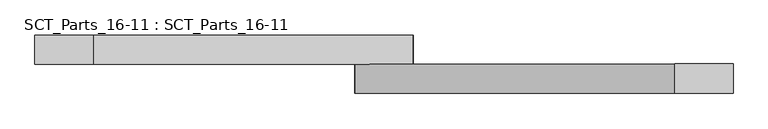
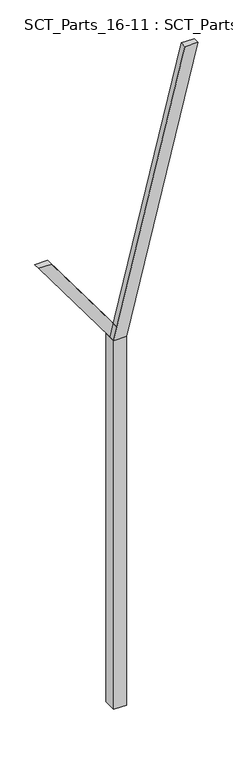
"""IFC4 building model written with IfcOpenShell, lengths in millimetres: proxy geometry, SCT_Parts_16-11 : SCT_Parts_16-11."""

from ifc_helpers import new_model, si_unit, frame, origin, origin_with_axes, place, context, project, spatial, polyline, outline, extrude, source, transform, mapped, element, save


def sct_parts_16_11_sct_parts_16_11_74aeaa69(model_context):
    return source(origin(), model_context, "Body", "SweptSolid", [
        extrude(outline(polyline([(6000.0, 200.0), (10400.0, 1300.0), (10400.0, 1100.0), (6000.0, 0.0), (6000.0, 200.0)])), frame((0.0, -200.0, 0.0), z_axis=(0.0, 1.0, 0.0), x_axis=(0.0, 0.0, 1.0)), (0.0, 0.0, 1.0), 100.0),
        extrude(outline(polyline([(6000.0, 0.0), (6000.0, 200.0), (7500.0, -900.0), (7500.0, -1100.0), (6000.0, 0.0)])), frame((0.0, -100.0, 0.0), z_axis=(0.0, 1.0, 0.0), x_axis=(0.0, 0.0, 1.0)), (0.0, 0.0, 1.0), 100.0),
        extrude(outline(polyline([(200.0, -200.0), (0.0, -200.0), (0.0, 0.0), (200.0, 0.0), (200.0, -200.0)])), origin_with_axes(), (0.0, 0.0, 1.0), 6000.0),
    ])


if __name__ == "__main__":
    model = new_model("IFC4")
    model_context = context("Model", 3, world=origin())
    ifc_project = project(units=[si_unit("LENGTHUNIT", "METRE", prefix="MILLI")], contexts=[model_context])
    site = spatial("IfcSite", under=ifc_project)
    building = spatial("IfcBuilding", under=site)
    placement = place(None, origin())
    sct_parts_16_11_sct_parts_16_11_shape = sct_parts_16_11_sct_parts_16_11_74aeaa69(model_context)
    element("IfcBuildingElementProxy", 1, Name="SCT_Parts_16-11 : SCT_Parts_16-11", ObjectType="SCT_Parts_16-11 : SCT_Parts_16-11", at=placement, inside=building, context=model_context, shape_type="MappedRepresentation", body=[
        mapped(sct_parts_16_11_sct_parts_16_11_shape, transform((0.0, 0.0, 0.0), x_axis=(1.0, 0.0, 0.0), y_axis=(0.0, 1.0, 0.0), z_axis=(0.0, 0.0, 1.0))),
    ])
    save(model, "model.ifc")
